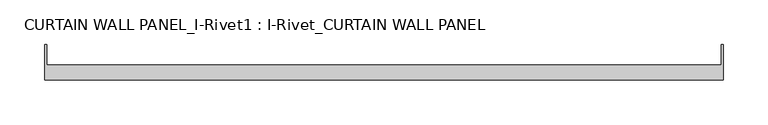
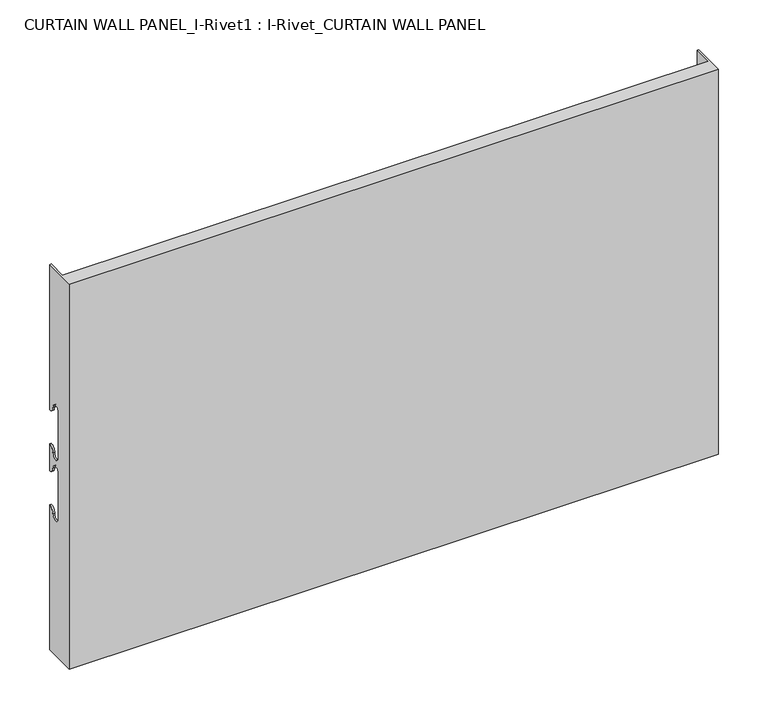
"""IFC4 building model written with IfcOpenShell, lengths in millimetres: plate geometry, CURTAIN WALL PANEL_I-Rivet1 : I-Rivet_CURTAIN WALL PANEL."""

from ifc_helpers import new_model, si_unit, frame, origin, place, context, project, spatial, polyline, circle_curve, source, transform, mapped, element, save
from ifc_brep_helpers import plane_surface, cylinder_surface, revolved_surface, advanced_brep


def curtain_wall_panel_i_rivet1_i_rivet_curtain_wall_panel_7d40d387(model_context):
    return source(origin(), model_context, "Body", "AdvancedBrep", [
        advanced_brep(
        [(-378.5915221, -85.0, 475.0), (378.5915221, -85.0, 475.0), (378.5915221, -45.3384103, 475.0), (376.5915221, -45.3384103, 475.0), (376.5915221, -68.0, 475.0), (-376.5915221, -68.0, 475.0), (-376.5915221, -45.3384103, 475.0), (-378.5915221, -45.3384103, 475.0), (-378.5915221, -85.0, 0.0), (-378.5915221, -45.3384103, 0.0), (-376.5915221, -45.3384103, 0.0), (-376.5915221, -68.0, 0.0), (376.5915221, -68.0, 0.0), (376.5915221, -45.3384103, 0.0), (378.5915221, -45.3384103, 0.0), (378.5915221, -85.0, 0.0), (-378.5915221, -45.3384103, 296.0), (-378.5915221, -52.3384103, 303.0), (-378.5915221, -63.3384103, 303.0), (-378.5915221, -63.3384103, 247.0), (-378.5915221, -52.3384103, 247.0), (-378.5915221, -45.3384103, 254.0), (-378.5915221, -45.3384103, 221.0), (-378.5915221, -52.3384103, 228.0), (-378.5915221, -63.3384103, 228.0), (-378.5915221, -63.3384103, 172.0), (-378.5915221, -52.3384103, 172.0), (-378.5915221, -45.3384103, 179.0), (-376.5915221, -45.3384103, 179.0), (-376.5915221, -45.3384103, 254.0), (-376.5915221, -45.3384103, 221.0), (-376.5915221, -45.3384103, 296.0), (378.5915221, -45.3384103, 296.0), (376.5915221, -45.3384103, 296.0), (376.5915221, -45.3384103, 179.0), (378.5915221, -45.3384103, 179.0), (376.5915221, -45.3384103, 221.0), (376.5915221, -45.3384103, 254.0), (378.5915221, -45.3384103, 254.0), (378.5915221, -45.3384103, 221.0), (378.5915221, -52.3384103, 172.0), (378.5915221, -63.3384103, 172.0), (378.5915221, -63.3384103, 228.0), (378.5915221, -52.3384103, 228.0), (378.5915221, -52.3384103, 247.0), (378.5915221, -63.3384103, 247.0), (378.5915221, -63.3384103, 303.0), (378.5915221, -52.3384103, 303.0), (-376.5915221, -52.3384103, 172.0), (-376.5915221, -63.3384103, 172.0), (-376.5915221, -63.3384103, 228.0), (-376.5915221, -52.3384103, 228.0), (-376.5915221, -52.3384103, 247.0), (-376.5915221, -63.3384103, 247.0), (-376.5915221, -63.3384103, 303.0), (-376.5915221, -52.3384103, 303.0), (376.5915221, -52.3384103, 303.0), (376.5915221, -63.3384103, 303.0), (376.5915221, -63.3384103, 247.0), (376.5915221, -52.3384103, 247.0), (376.5915221, -52.3384103, 228.0), (376.5915221, -63.3384103, 228.0), (376.5915221, -63.3384103, 172.0), (376.5915221, -52.3384103, 172.0)],
        [
            (0, 1),
            (1, 2),
            (2, 3),
            (3, 4),
            (4, 5),
            (5, 6),
            (6, 7),
            (7, 0),
            (8, 9),
            (9, 10),
            (10, 11),
            (11, 12),
            (12, 13),
            (13, 14),
            (14, 15),
            (15, 8),
            (7, 16),
            (16, 17, circle_curve(frame((-378.5915221, -45.3384103, 303.0), z_axis=(-1.0, 0.0, 0.0), x_axis=(0.0, -1.0, 0.0)), 7.0)),
            (17, 18, circle_curve(frame((-378.5915221, -57.8384103, 303.0), z_axis=(1.0, 0.0, 0.0), x_axis=(0.0, -1.0, 0.0)), 5.5)),
            (18, 19),
            (19, 20, circle_curve(frame((-378.5915221, -57.8384103, 247.0), z_axis=(1.0, 0.0, 0.0), x_axis=(0.0, -1.0, 0.0)), 5.5)),
            (20, 21, circle_curve(frame((-378.5915221, -45.3384103, 247.0), z_axis=(-1.0, 0.0, 0.0), x_axis=(0.0, -1.0, 0.0)), 7.0)),
            (21, 22),
            (22, 23, circle_curve(frame((-378.5915221, -45.3384103, 228.0), z_axis=(-1.0, 0.0, 0.0), x_axis=(0.0, -1.0, 0.0)), 7.0)),
            (23, 24, circle_curve(frame((-378.5915221, -57.8384103, 228.0), z_axis=(1.0, 0.0, 0.0), x_axis=(0.0, -1.0, 0.0)), 5.5)),
            (24, 25),
            (25, 26, circle_curve(frame((-378.5915221, -57.8384103, 172.0), z_axis=(1.0, 0.0, 0.0), x_axis=(0.0, -1.0, 0.0)), 5.5)),
            (26, 27, circle_curve(frame((-378.5915221, -45.3384103, 172.0), z_axis=(-1.0, 0.0, 0.0), x_axis=(0.0, -1.0, 0.0)), 7.0)),
            (27, 9),
            (8, 0),
            (27, 28),
            (28, 10),
            (21, 29),
            (29, 30),
            (30, 22),
            (6, 31),
            (31, 16),
            (2, 32),
            (32, 33),
            (33, 3),
            (13, 34),
            (34, 35),
            (35, 14),
            (36, 37),
            (37, 38),
            (38, 39),
            (39, 36),
            (1, 15),
            (35, 40, circle_curve(frame((378.5915221, -45.3384103, 172.0), z_axis=(1.0, 0.0, 0.0), x_axis=(0.0, -1.0, 0.0)), 7.0)),
            (40, 41, circle_curve(frame((378.5915221, -57.8384103, 172.0), z_axis=(-1.0, 0.0, 0.0), x_axis=(0.0, -1.0, 0.0)), 5.5)),
            (41, 42),
            (42, 43, circle_curve(frame((378.5915221, -57.8384103, 228.0), z_axis=(-1.0, 0.0, 0.0), x_axis=(0.0, -1.0, 0.0)), 5.5)),
            (43, 39, circle_curve(frame((378.5915221, -45.3384103, 228.0), z_axis=(1.0, 0.0, 0.0), x_axis=(0.0, -1.0, 0.0)), 7.0)),
            (38, 44, circle_curve(frame((378.5915221, -45.3384103, 247.0), z_axis=(1.0, 0.0, 0.0), x_axis=(0.0, -1.0, 0.0)), 7.0)),
            (44, 45, circle_curve(frame((378.5915221, -57.8384103, 247.0), z_axis=(-1.0, 0.0, 0.0), x_axis=(0.0, -1.0, 0.0)), 5.5)),
            (45, 46),
            (46, 47, circle_curve(frame((378.5915221, -57.8384103, 303.0), z_axis=(-1.0, 0.0, 0.0), x_axis=(0.0, -1.0, 0.0)), 5.5)),
            (47, 32, circle_curve(frame((378.5915221, -45.3384103, 303.0), z_axis=(1.0, 0.0, 0.0), x_axis=(0.0, -1.0, 0.0)), 7.0)),
            (5, 11),
            (28, 48, circle_curve(frame((-376.5915221, -45.3384103, 172.0), z_axis=(1.0, 0.0, 0.0), x_axis=(0.0, -1.0, 0.0)), 7.0)),
            (48, 49, circle_curve(frame((-376.5915221, -57.8384103, 172.0), z_axis=(-1.0, 0.0, 0.0), x_axis=(0.0, -1.0, 0.0)), 5.5)),
            (49, 50),
            (50, 51, circle_curve(frame((-376.5915221, -57.8384103, 228.0), z_axis=(-1.0, 0.0, 0.0), x_axis=(0.0, -1.0, 0.0)), 5.5)),
            (51, 30, circle_curve(frame((-376.5915221, -45.3384103, 228.0), z_axis=(1.0, 0.0, 0.0), x_axis=(0.0, -1.0, 0.0)), 7.0)),
            (29, 52, circle_curve(frame((-376.5915221, -45.3384103, 247.0), z_axis=(1.0, 0.0, 0.0), x_axis=(0.0, -1.0, 0.0)), 7.0)),
            (52, 53, circle_curve(frame((-376.5915221, -57.8384103, 247.0), z_axis=(-1.0, 0.0, 0.0), x_axis=(0.0, -1.0, 0.0)), 5.5)),
            (53, 54),
            (54, 55, circle_curve(frame((-376.5915221, -57.8384103, 303.0), z_axis=(-1.0, 0.0, 0.0), x_axis=(0.0, -1.0, 0.0)), 5.5)),
            (55, 31, circle_curve(frame((-376.5915221, -45.3384103, 303.0), z_axis=(1.0, 0.0, 0.0), x_axis=(0.0, -1.0, 0.0)), 7.0)),
            (33, 56, circle_curve(frame((376.5915221, -45.3384103, 303.0), z_axis=(-1.0, 0.0, 0.0), x_axis=(0.0, -1.0, 0.0)), 7.0)),
            (56, 57, circle_curve(frame((376.5915221, -57.8384103, 303.0), z_axis=(1.0, 0.0, 0.0), x_axis=(0.0, -1.0, 0.0)), 5.5)),
            (57, 58),
            (58, 59, circle_curve(frame((376.5915221, -57.8384103, 247.0), z_axis=(1.0, 0.0, 0.0), x_axis=(0.0, -1.0, 0.0)), 5.5)),
            (59, 37, circle_curve(frame((376.5915221, -45.3384103, 247.0), z_axis=(-1.0, 0.0, 0.0), x_axis=(0.0, -1.0, 0.0)), 7.0)),
            (36, 60, circle_curve(frame((376.5915221, -45.3384103, 228.0), z_axis=(-1.0, 0.0, 0.0), x_axis=(0.0, -1.0, 0.0)), 7.0)),
            (60, 61, circle_curve(frame((376.5915221, -57.8384103, 228.0), z_axis=(1.0, 0.0, 0.0), x_axis=(0.0, -1.0, 0.0)), 5.5)),
            (61, 62),
            (62, 63, circle_curve(frame((376.5915221, -57.8384103, 172.0), z_axis=(1.0, 0.0, 0.0), x_axis=(0.0, -1.0, 0.0)), 5.5)),
            (63, 34, circle_curve(frame((376.5915221, -45.3384103, 172.0), z_axis=(-1.0, 0.0, 0.0), x_axis=(0.0, -1.0, 0.0)), 7.0)),
            (12, 4),
            (41, 62),
            (61, 42),
            (49, 25),
            (24, 50),
            (40, 63),
            (48, 26),
            (51, 23),
            (43, 60),
            (18, 54),
            (53, 19),
            (57, 46),
            (45, 58),
            (17, 55),
            (56, 47),
            (59, 44),
            (20, 52),
        ],
        [
            plane_surface(frame((-378.5915221, -45.3384103, 475.0), z_axis=(0.0, 0.0, 1.0), x_axis=(0.0, 1.0, 0.0))),
            plane_surface(frame((-378.5915221, -45.3384103, 0.0), z_axis=(0.0, 0.0, -1.0), x_axis=(0.0, -1.0, 0.0))),
            plane_surface(frame((-378.5915221, -85.0, 475.0), z_axis=(-1.0, 0.0, 0.0), x_axis=(0.0, 0.0, -1.0))),
            plane_surface(frame((-378.5915221, -45.3384103, 475.0), z_axis=(0.0, 1.0, 0.0), x_axis=(0.0, 0.0, -1.0))),
            plane_surface(frame((376.5915221, -45.3384103, 475.0), z_axis=(0.0, 1.0, 0.0), x_axis=(0.0, 0.0, -1.0))),
            plane_surface(frame((378.5915221, -45.3384103, 475.0), z_axis=(1.0, 0.0, 0.0), x_axis=(0.0, 0.0, -1.0))),
            plane_surface(frame((378.5915221, -85.0, 475.0), z_axis=(0.0, -1.0, 0.0), x_axis=(0.0, 0.0, -1.0))),
            plane_surface(frame((-376.5915221, -45.3384103, 475.0), z_axis=(1.0, 0.0, 0.0), x_axis=(0.0, 0.0, -1.0))),
            plane_surface(frame((376.5915221, -68.0, 475.0), z_axis=(-1.0, 0.0, 0.0), x_axis=(0.0, 0.0, -1.0))),
            plane_surface(frame((-377.5915221, -68.0, 475.0), z_axis=(0.0, 1.0, 0.0), x_axis=(0.0, 0.0, -1.0))),
            plane_surface(frame((-378.5915221, -63.3384103, 228.0), z_axis=(0.0, 1.0, 0.0), x_axis=(1.0, 0.0, 0.0))),
            revolved_surface(polyline([(376.5915221, -63.3384103, 172.0), (378.5915221, -63.3384103, 172.0)]), (-378.5915221, -57.8384103, 172.0), (-1.0, 0.0, 0.0)),
            revolved_surface(polyline([(-378.5915221, -63.3384103, 172.0), (-376.5915221, -63.3384103, 172.0)]), (-378.5915221, -57.8384103, 172.0), (-1.0, 0.0, 0.0)),
            cylinder_surface(frame((-378.5915221, -45.3384103, 172.0), z_axis=(1.0, 0.0, 0.0), x_axis=(0.0, -1.0, 0.0)), 7.0),
            cylinder_surface(frame((-378.5915221, -45.3384103, 228.0), z_axis=(1.0, 0.0, 0.0), x_axis=(0.0, -1.0, 0.0)), 7.0),
            revolved_surface(polyline([(-378.5915221, -63.3384103, 228.0), (-376.5915221, -63.3384103, 228.0)]), (-378.5915221, -57.8384103, 228.0), (-1.0, 0.0, 0.0)),
            revolved_surface(polyline([(376.5915221, -63.3384103, 228.0), (378.5915221, -63.3384103, 228.0)]), (-378.5915221, -57.8384103, 228.0), (-1.0, 0.0, 0.0)),
            plane_surface(frame((378.5915221, -63.3384103, 247.0), z_axis=(0.0, 1.0, 0.0), x_axis=(-1.0, 0.0, 0.0))),
            revolved_surface(polyline([(-376.5915221, -63.3384103, 303.0), (-378.5915221, -63.3384103, 303.0)]), (378.5915221, -57.8384103, 303.0), (1.0, 0.0, 0.0)),
            revolved_surface(polyline([(378.5915221, -63.3384103, 303.0), (376.5915221, -63.3384103, 303.0)]), (378.5915221, -57.8384103, 303.0), (1.0, 0.0, 0.0)),
            cylinder_surface(frame((378.5915221, -45.3384103, 303.0), z_axis=(-1.0, 0.0, 0.0), x_axis=(0.0, -1.0, 0.0)), 7.0),
            cylinder_surface(frame((378.5915221, -45.3384103, 247.0), z_axis=(-1.0, 0.0, 0.0), x_axis=(0.0, -1.0, 0.0)), 7.0),
            revolved_surface(polyline([(378.5915221, -63.3384103, 247.0), (376.5915221, -63.3384103, 247.0)]), (378.5915221, -57.8384103, 247.0), (1.0, 0.0, 0.0)),
            revolved_surface(polyline([(-376.5915221, -63.3384103, 247.0), (-378.5915221, -63.3384103, 247.0)]), (378.5915221, -57.8384103, 247.0), (1.0, 0.0, 0.0)),
        ],
        [
            (0, [[1, 2, 3, 4, 5, 6, 7, 8]]),
            (1, [[9, 10, 11, 12, 13, 14, 15, 16]]),
            (2, [[17, 18, 19, 20, 21, 22, 23, 24, 25, 26, 27, 28, 29, -9, 30, -8]]),
            (3, [[-29, 31, 32, -10]]),
            (3, [[-23, 33, 34, 35]]),
            (3, [[36, 37, -17, -7]]),
            (4, [[38, 39, 40, -3]]),
            (4, [[41, 42, 43, -14]]),
            (4, [[44, 45, 46, 47]]),
            (5, [[48, -15, -43, 49, 50, 51, 52, 53, -46, 54, 55, 56, 57, 58, -38, -2]]),
            (6, [[-30, -16, -48, -1]]),
            (7, [[59, -11, -32, 60, 61, 62, 63, 64, -34, 65, 66, 67, 68, 69, -36, -6]]),
            (8, [[-40, 70, 71, 72, 73, 74, -44, 75, 76, 77, 78, 79, -41, -13, 80, -4]]),
            (9, [[-80, -12, -59, -5]]),
            (10, [[-51, 81, -77, 82]]),
            (10, [[-62, 83, -26, 84]]),
            (11, [[-50, 85, -78, -81]]),
            (12, [[-61, 86, -27, -83]]),
            (13, [[-49, -42, -79, -85]]),
            (13, [[-60, -31, -28, -86]]),
            (14, [[-24, -35, -64, 87]]),
            (14, [[-75, -47, -53, 88]]),
            (15, [[-25, -87, -63, -84]]),
            (16, [[-76, -88, -52, -82]]),
            (17, [[-20, 89, -67, 90]]),
            (17, [[-72, 91, -56, 92]]),
            (18, [[-19, 93, -68, -89]]),
            (19, [[-71, 94, -57, -91]]),
            (20, [[-18, -37, -69, -93]]),
            (20, [[-70, -39, -58, -94]]),
            (21, [[-54, -45, -74, 95]]),
            (21, [[-65, -33, -22, 96]]),
            (22, [[-55, -95, -73, -92]]),
            (23, [[-66, -96, -21, -90]]),
        ],
    ),
    ])


if __name__ == "__main__":
    model = new_model("IFC4")
    model_context = context("Model", 3, world=origin())
    ifc_project = project(units=[si_unit("LENGTHUNIT", "METRE", prefix="MILLI")], contexts=[model_context])
    site = spatial("IfcSite", under=ifc_project)
    building = spatial("IfcBuilding", under=site)
    placement = place(None, origin())
    curtain_wall_panel_i_rivet1_i_rivet_curtain_wall_panel_shape = curtain_wall_panel_i_rivet1_i_rivet_curtain_wall_panel_7d40d387(model_context)
    element("IfcPlate", 1, ObjectType="CURTAIN WALL PANEL_I-Rivet1 : I-Rivet_CURTAIN WALL PANEL", at=placement, inside=building, context=model_context, shape_type="MappedRepresentation", body=[
        mapped(curtain_wall_panel_i_rivet1_i_rivet_curtain_wall_panel_shape, transform((0.0, 0.0, 0.0), x_axis=(1.0, 0.0, 0.0), y_axis=(0.0, 1.0, 0.0), z_axis=(0.0, 0.0, 1.0))),
    ])
    save(model, "model.ifc")
